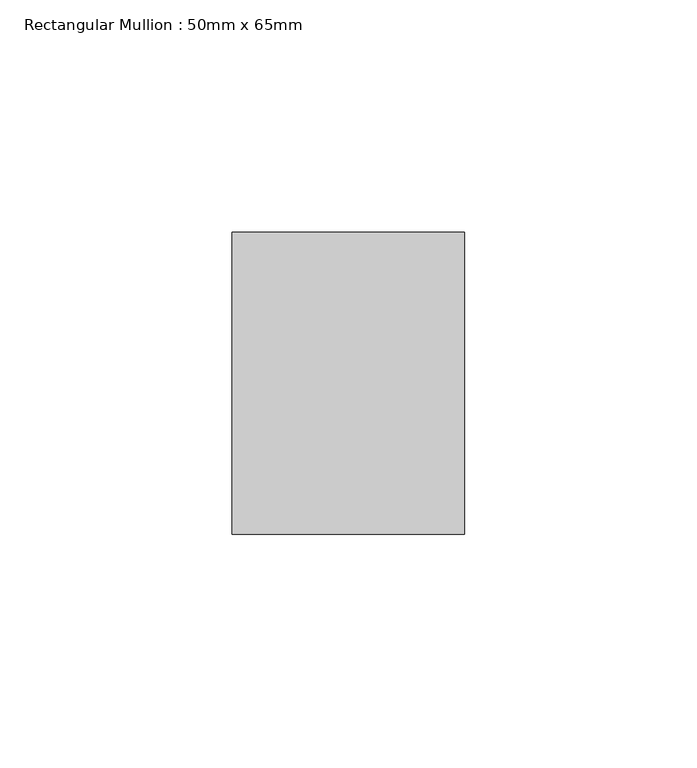
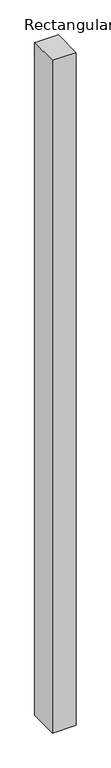
"""IFC4 building model written with IfcOpenShell, lengths in millimetres: member geometry, Rectangular Mullion : 50mm x 65mm."""

from ifc_helpers import new_model, si_unit, origin, place, context, project, spatial, faceted_brep, source, transform, mapped, element, save


def rectangular_mullion_50mm_x_65mm_b6d5f642(model_context):
    return source(origin(), model_context, "Body", "Brep", [
        faceted_brep([(-25.0, 32.5, -0.0980883), (25.0, 32.5, -0.0980886), (25.0, 32.5, -1499.8164273), (-25.0, 32.5, -1499.816428), (-25.0, -32.5, 0.0980886), (-25.0, -32.5, -1500.1835719), (25.0, -32.5, 0.0980883), (25.0, -32.5, -1500.1835712)], [[[0, 1, 2, 3]], [[4, 0, 3, 5]], [[6, 4, 5, 7]], [[1, 6, 7, 2]], [[1, 0, 4, 6]], [[2, 7, 5, 3]]]),
    ])


if __name__ == "__main__":
    model = new_model("IFC4")
    model_context = context("Model", 3, world=origin())
    ifc_project = project(units=[si_unit("LENGTHUNIT", "METRE", prefix="MILLI")], contexts=[model_context])
    site = spatial("IfcSite", under=ifc_project)
    building = spatial("IfcBuilding", under=site)
    placement = place(None, origin())
    rectangular_mullion_50mm_x_65mm_shape = rectangular_mullion_50mm_x_65mm_b6d5f642(model_context)
    element("IfcMember", 1, ObjectType="Rectangular Mullion : 50mm x 65mm", at=placement, inside=building, context=model_context, shape_type="MappedRepresentation", body=[
        mapped(rectangular_mullion_50mm_x_65mm_shape, transform((0.0, 0.0, 0.0), x_axis=(1.0, 0.0, 0.0), y_axis=(0.0, 1.0, 0.0), z_axis=(0.0, 0.0, 1.0))),
    ])
    save(model, "model.ifc")
